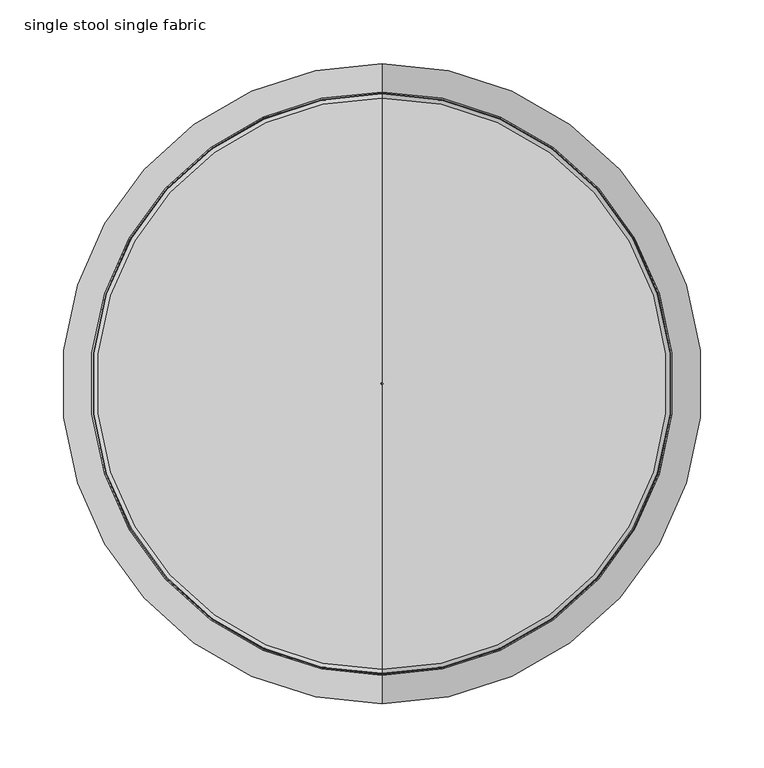
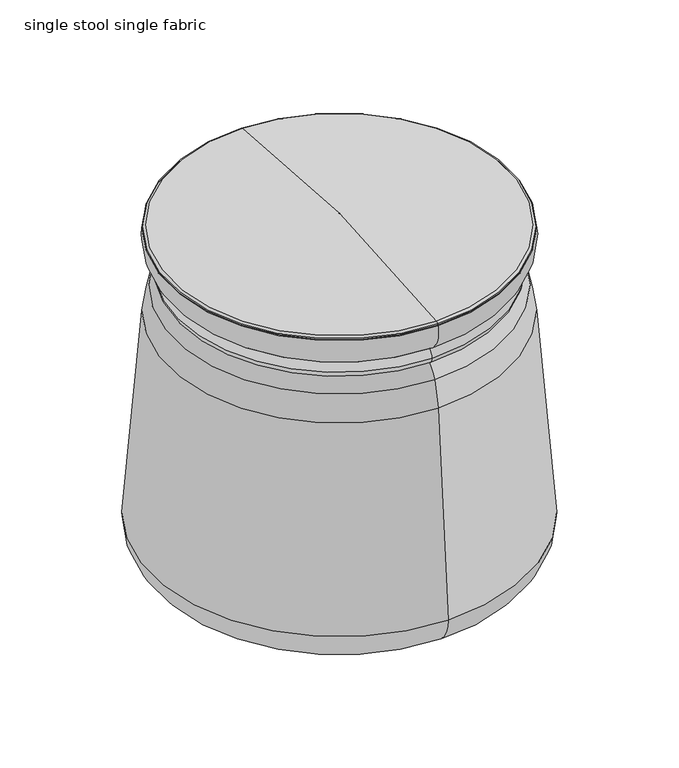
"""IFC4 building model written with IfcOpenShell, lengths in millimetres: furniture geometry, single stool single fabric."""

import ifcopenshell
import ifcopenshell.guid

model = None  # the IFC model being written
_history = None  # IfcOwnerHistory: only IFC2X3 demands one
_inside = {}  # id of a spatial element -> (the spatial element, [elements in it])
_under = {}  # id of a project, library or spatial element -> (it, [spatial elements below it])
_declared = {}  # id of a project -> (the project, [libraries it declares])
_typed = {}  # id of a type object -> (the type object, [elements of that type])
_made_of = {}  # id of a material, layer set ... -> (it, [elements and type objects made of it])


def new_model(schema):
    """Start an empty IFC model of exactly this schema.

    Asked for "IFC4X3", IfcOpenShell would pick the latest addendum, in which some entities
    have other attributes; the version numbers below select the first issue.
    IFC2X3 requires an IfcOwnerHistory on every rooted entity: one is made here for all.
    """
    global model, _history
    if schema == "IFC4X3":
        model = ifcopenshell.file(schema_version=(4, 3, 0, 0))
    else:
        model = ifcopenshell.file(schema=schema)
    _inside.clear()
    _under.clear()
    _declared.clear()
    _typed.clear()
    _made_of.clear()
    _history = None
    if model.schema == "IFC2X3":
        org = make("IfcOrganization", Name="unknown")
        user = make(
            "IfcPersonAndOrganization",
            ThePerson=make("IfcPerson", FamilyName="unknown"),
            TheOrganization=org,
        )
        app = make(
            "IfcApplication",
            ApplicationDeveloper=org,
            Version="unknown",
            ApplicationFullName="unknown",
            ApplicationIdentifier="unknown",
        )
        _history = make(
            "IfcOwnerHistory",
            OwningUser=user,
            OwningApplication=app,
            ChangeAction="ADDED",
            CreationDate=0,
        )
    return model


def make(cls, **values):
    """One entity of the class cls with the attributes given. An attribute that is None is left unset."""
    return model.create_entity(
        cls, **{name: value for name, value in values.items() if value is not None}
    )


def rooted(cls, **values):
    """An entity with a GlobalId (a new one), such as an element, a storey or a relation."""
    return make(cls, GlobalId=ifcopenshell.guid.new(), OwnerHistory=_history, **values)


def si_unit(unit_type, name, prefix=None):
    """IfcSIUnit, for example si_unit("LENGTHUNIT", "METRE", prefix="MILLI")."""
    return make("IfcSIUnit", UnitType=unit_type, Prefix=prefix, Name=name)


def assignment(units):
    """IfcUnitAssignment: the units of a project."""
    return None if units is None else make("IfcUnitAssignment", Units=units)


def point(xyz):
    """IfcCartesianPoint."""
    return None if xyz is None else make("IfcCartesianPoint", Coordinates=xyz)


def direction(xyz):
    """IfcDirection."""
    return None if xyz is None else make("IfcDirection", DirectionRatios=xyz)


def frame(location, z_axis=None, x_axis=None):
    """IfcAxis2Placement3D, a coordinate frame: its origin and axes. An axis left out is left unset."""
    return make(
        "IfcAxis2Placement3D",
        Location=point(location),
        Axis=direction(z_axis),
        RefDirection=direction(x_axis),
    )


def frame_2d(location, x_axis=None):
    """IfcAxis2Placement2D, a coordinate frame in the plane: its origin and x axis."""
    return make(
        "IfcAxis2Placement2D", Location=point(location), RefDirection=direction(x_axis)
    )


def origin():
    """The frame at (0, 0, 0) with its axes left unset."""
    return frame((0.0, 0.0, 0.0))


def origin_with_axes():
    """The frame at (0, 0, 0) with the z axis (0, 0, 1) and the x axis (1, 0, 0) written out."""
    return frame((0.0, 0.0, 0.0), z_axis=(0.0, 0.0, 1.0), x_axis=(1.0, 0.0, 0.0))


def place(relative_to, where):
    """IfcLocalPlacement: puts the frame where relative to a parent placement (None: the world)."""
    return make(
        "IfcLocalPlacement", PlacementRelTo=relative_to, RelativePlacement=where
    )


def context(
    kind, dimensions, precision=None, world=None, true_north=None, identifier=None
):
    """IfcGeometricRepresentationContext, for example the 3D "Model" context."""
    return make(
        "IfcGeometricRepresentationContext",
        ContextIdentifier=identifier,
        ContextType=kind,
        CoordinateSpaceDimension=dimensions,
        Precision=precision,
        WorldCoordinateSystem=world,
        TrueNorth=true_north,
    )


def project(units=None, contexts=None):
    """IfcProject with its units and contexts."""
    return rooted(
        "IfcProject",
        Name="project",
        RepresentationContexts=contexts,
        UnitsInContext=assignment(units),
    )


def spatial(cls, under=None, at=None, **own):
    """A site, building, storey or space (cls), placed at a placement, below another one or the project."""
    s = rooted(cls, ObjectPlacement=at, **own)
    if under is not None:
        _under.setdefault(under.id(), (under, []))[1].append(s)
    return s


def circle_curve(where, radius):
    """IfcCircle in the frame where."""
    return make("IfcCircle", Position=where, Radius=radius)


def ellipse_curve(where, semi_axis1, semi_axis2):
    """IfcEllipse in the frame where."""
    return make(
        "IfcEllipse", Position=where, SemiAxis1=semi_axis1, SemiAxis2=semi_axis2
    )


def trimmed(basis, trim1, trim2, sense, master):
    """IfcTrimmedCurve: the piece of a basis curve between two trims."""
    return make(
        "IfcTrimmedCurve",
        BasisCurve=basis,
        Trim1=trim1,
        Trim2=trim2,
        SenseAgreement=sense,
        MasterRepresentation=master,
    )


def segment(curve, same_sense, transition):
    """IfcCompositeCurveSegment."""
    return make(
        "IfcCompositeCurveSegment",
        Transition=transition,
        SameSense=same_sense,
        ParentCurve=curve,
    )


def composite_curve(segments, self_intersect=None):
    """IfcCompositeCurve: segments joined end to end."""
    return make("IfcCompositeCurve", Segments=segments, SelfIntersect=self_intersect)


def outline(outer, holes=None, kind="AREA"):
    """IfcArbitraryClosedProfileDef: a profile drawn as a closed curve; with holes, ...WithVoids."""
    if holes is None:
        return make("IfcArbitraryClosedProfileDef", ProfileType=kind, OuterCurve=outer)
    return make(
        "IfcArbitraryProfileDefWithVoids",
        ProfileType=kind,
        OuterCurve=outer,
        InnerCurves=holes,
    )


def extrude(swept, where, along, depth):
    """IfcExtrudedAreaSolid: the profile swept, set in the frame where, extruded along a direction by depth."""
    return make(
        "IfcExtrudedAreaSolid",
        SweptArea=swept,
        Position=where,
        ExtrudedDirection=direction(along),
        Depth=depth,
    )


def shape(context_of_items, identifier, shape_type, items):
    """IfcShapeRepresentation: the items that make up one representation, for example the "Body"."""
    return make(
        "IfcShapeRepresentation",
        ContextOfItems=context_of_items,
        RepresentationIdentifier=identifier,
        RepresentationType=shape_type,
        Items=items,
    )


def source(mapping_origin, context_of_items, identifier, shape_type, items):
    """IfcRepresentationMap: a shape defined once, which mapped items show again and again."""
    return make(
        "IfcRepresentationMap",
        MappingOrigin=mapping_origin,
        MappedRepresentation=shape(context_of_items, identifier, shape_type, items),
    )


def transform(
    local_origin,
    x_axis=None,
    y_axis=None,
    z_axis=None,
    scale=None,
    scale2=None,
    scale3=None,
    uniform=True,
):
    """IfcCartesianTransformationOperator3D, or its non-uniform kind. x_axis, y_axis, z_axis: its Axis1, 2, 3."""
    if uniform:
        return make(
            "IfcCartesianTransformationOperator3D",
            Axis1=direction(x_axis),
            Axis2=direction(y_axis),
            LocalOrigin=point(local_origin),
            Scale=scale,
            Axis3=direction(z_axis),
        )
    return make(
        "IfcCartesianTransformationOperator3DnonUniform",
        Axis1=direction(x_axis),
        Axis2=direction(y_axis),
        LocalOrigin=point(local_origin),
        Scale=scale,
        Axis3=direction(z_axis),
        Scale2=scale2,
        Scale3=scale3,
    )


def mapped(mapping_source, mapping_target):
    """IfcMappedItem: shows the shape of a source again, moved by a transform."""
    return make(
        "IfcMappedItem", MappingSource=mapping_source, MappingTarget=mapping_target
    )


def made_of(thing, what):
    """Note that an element or type object is made of a material, layer set ...; save() writes the relation."""
    if what is not None:
        _made_of.setdefault(what.id(), (what, []))[1].append(thing)
    return thing


def element(
    cls,
    number,
    at=None,
    inside=None,
    cuts=None,
    type_object=None,
    material=None,
    context=None,
    identifier="Body",
    shape_type=None,
    held_by="IfcProductDefinitionShape",
    body=None,
    shapes=None,
    **own,
):
    """One element of the class cls, such as IfcWall. Its Tag is "e" and its number.

    at: its placement. inside: the storey or other place that contains it. cuts: it is an
    opening in that element (IfcRelVoidsElement). A single representation is given by context,
    identifier, shape_type and body (its items); several are given by shapes. held_by: the class
    of the entity that holds the representations. save() writes the other relations.
    """
    e = rooted(cls, Tag="e%d" % number, ObjectPlacement=at, **own)
    if body is not None:
        shapes = [shape(context, identifier, shape_type, body)]
    if shapes is not None:
        e.Representation = make(held_by, Representations=shapes)
    if inside is not None:
        _inside.setdefault(inside.id(), (inside, []))[1].append(e)
    if cuts is not None:
        rooted(
            "IfcRelVoidsElement", RelatingBuildingElement=cuts, RelatedOpeningElement=e
        )
    if type_object is not None:
        _typed.setdefault(type_object.id(), (type_object, []))[1].append(e)
    return made_of(e, material)


def aggregate(whole, parts):
    """IfcRelAggregates: a whole, such as a stair, and the parts it consists of."""
    return rooted("IfcRelAggregates", RelatingObject=whole, RelatedObjects=parts)


def save(model, path):
    """Write the relations noted so far, then the file.

    IfcRelAggregates (storeys below a building ...), IfcRelContainedInSpatialStructure (elements
    in a storey), IfcRelDefinesByType, IfcRelAssociatesMaterial and IfcRelDeclares: one each for
    every whole, place, type object, material and project.
    """
    for whole, parts in _under.values():
        aggregate(whole, parts)
    for where, things in _inside.values():
        rooted(
            "IfcRelContainedInSpatialStructure",
            RelatedElements=things,
            RelatingStructure=where,
        )
    for kind, things in _typed.values():
        rooted("IfcRelDefinesByType", RelatedObjects=things, RelatingType=kind)
    for what, things in _made_of.values():
        rooted("IfcRelAssociatesMaterial", RelatedObjects=things, RelatingMaterial=what)
    for by, libraries in _declared.values():
        rooted("IfcRelDeclares", RelatingContext=by, RelatedDefinitions=libraries)
    model.write(path)


def plane_surface(at):
    """IfcPlane: the flat surface through the origin of the frame at, square to its z axis."""
    return make("IfcPlane", Position=at)


def cylinder_surface(at, radius):
    """IfcCylindricalSurface: all points at the distance radius from the z axis of the frame at."""
    return make("IfcCylindricalSurface", Position=at, Radius=radius)


def revolved_surface(curve, axis_point, axis_direction):
    """IfcSurfaceOfRevolution: the curve turned about the line through axis_point along axis_direction."""
    return make(
        "IfcSurfaceOfRevolution",
        SweptCurve=make("IfcArbitraryOpenProfileDef", ProfileType="CURVE", Curve=curve),
        AxisPosition=make("IfcAxis1Placement", Location=point(axis_point), Axis=direction(axis_direction)),
    )


def advanced_brep(points, edges, surfaces, faces):
    """IfcAdvancedBrep: a solid bounded by faces that lie on surfaces and meet in shared edges.

    An edge is (start, end): straight between two places in points (the first is 0);
    or (start, end, curve); or (start, end, curve, False) where it runs against its curve.
    A face is (place in surfaces, loops), or (place, loops, False) where it looks against
    its surface's normal. A loop lists edges by number (the first is 1), with a minus sign
    where the edge is run from its end to its start. The first loop is the outer one.
    """
    corners = [point(p) for p in points]
    vertices = [make("IfcVertexPoint", VertexGeometry=c) for c in corners]
    made = []
    for start, end, *more in edges:
        made.append(
            make(
                "IfcEdgeCurve",
                EdgeStart=vertices[start],
                EdgeEnd=vertices[end],
                EdgeGeometry=more[0] if more else make("IfcPolyline", Points=[corners[start], corners[end]]),
                SameSense=more[1] if len(more) > 1 else True,
            )
        )
    hull = []
    for where, loops, *sense in faces:
        bounds = []
        for j, loop in enumerate(loops):
            ring = [make("IfcOrientedEdge", EdgeElement=made[abs(k) - 1], Orientation=k > 0) for k in loop]
            bounds.append(
                make(
                    "IfcFaceOuterBound" if j == 0 else "IfcFaceBound",
                    Bound=make("IfcEdgeLoop", EdgeList=ring),
                    Orientation=True,
                )
            )
        hull.append(make("IfcAdvancedFace", Bounds=bounds, FaceSurface=surfaces[where], SameSense=sense[0] if sense else True))
    return make("IfcAdvancedBrep", Outer=make("IfcClosedShell", CfsFaces=hull))


def single_stool_single_fabric_4eaed407(model_context):
    return source(origin(), model_context, "Body", "SolidModel", [
        advanced_brep(
        [(0.0, -215.1499465, 408.4069519), (0.0, 215.1499465, 408.4069519), (0.0, 193.1499465, 408.4069519), (0.0, -193.1499465, 408.4069519)],
        [
            (0, 1, circle_curve(frame((0.0, 0.0, 408.4069519), z_axis=(0.0, 0.0, 1.0), x_axis=(0.0, 1.0, 0.0)), 215.1499465)),
            (1, 2, circle_curve(frame((0.0, 204.1499465, 408.4069519), z_axis=(1.0, 0.0, 0.0), x_axis=(0.0, 1.0, 0.0)), 11.0)),
            (2, 3, circle_curve(frame((0.0, 0.0, 408.4069519), z_axis=(0.0, 0.0, -1.0), x_axis=(0.0, 1.0, 0.0)), 193.1499465)),
            (3, 0, circle_curve(frame((0.0, -204.1499465, 408.4069519), z_axis=(1.0, 0.0, 0.0), x_axis=(0.0, -1.0, 0.0)), 11.0)),
            (2, 1, circle_curve(frame((0.0, 204.1499465, 408.4069519), z_axis=(1.0, 0.0, 0.0), x_axis=(0.0, 1.0, 0.0)), 11.0)),
            (0, 3, circle_curve(frame((0.0, -204.1499465, 408.4069519), z_axis=(1.0, 0.0, 0.0), x_axis=(0.0, -1.0, 0.0)), 11.0)),
            (1, 0, circle_curve(frame((0.0, 0.0, 408.4069519), z_axis=(0.0, 0.0, 1.0), x_axis=(0.0, -1.0, 0.0)), 215.1499465)),
            (3, 2, circle_curve(frame((0.0, 0.0, 408.4069519), z_axis=(0.0, 0.0, -1.0), x_axis=(0.0, -1.0, 0.0)), 193.1499465)),
        ],
        [
            revolved_surface(trimmed(ellipse_curve(frame((0.0, 204.1499465, 408.4069519), z_axis=(-1.0, 0.0, 0.0), x_axis=(0.0, 1.0, 0.0)), 11.0, 11.0), [point((0.0, 193.1499465, 408.4069519))], [point((0.0, 215.1499465, 408.4069519))], True, "CARTESIAN"), (0.0, 0.0, 408.4069519), (0.0, 0.0, -1.0)),
            revolved_surface(trimmed(ellipse_curve(frame((0.0, 204.1499465, 408.4069519), z_axis=(-1.0, 0.0, 0.0), x_axis=(0.0, 1.0, 0.0)), 11.0, 11.0), [point((0.0, 215.1499465, 408.4069519))], [point((0.0, 193.1499465, 408.4069519))], True, "CARTESIAN"), (0.0, 0.0, 408.4069519), (0.0, 0.0, -1.0)),
            revolved_surface(trimmed(ellipse_curve(frame((0.0, -204.1499465, 408.4069519), z_axis=(1.0, 0.0, 0.0), x_axis=(0.0, -1.0, 0.0)), 11.0, 11.0), [point((0.0, -193.1499465, 408.4069519))], [point((0.0, -215.1499465, 408.4069519))], True, "CARTESIAN"), (0.0, 0.0, 408.4069519), (0.0, 0.0, -1.0)),
            revolved_surface(trimmed(ellipse_curve(frame((0.0, -204.1499465, 408.4069519), z_axis=(1.0, 0.0, 0.0), x_axis=(0.0, -1.0, 0.0)), 11.0, 11.0), [point((0.0, -215.1499465, 408.4069519))], [point((0.0, -193.1499465, 408.4069519))], True, "CARTESIAN"), (0.0, 0.0, 408.4069519), (0.0, 0.0, -1.0)),
        ],
        [
            (0, [[1, 2, 3, 4]]),
            (1, [[-3, 5, -1, 6]]),
            (2, [[7, -4, 8, -2]]),
            (3, [[-8, -6, -7, -5]]),
        ],
    ),
        extrude(outline(composite_curve([segment(trimmed(circle_curve(frame_2d((-69.1673536, 130.0426161)), 17.5), [point((-86.6644585, 129.724304))], [point((-51.6702488, 130.3609282))], False, "CARTESIAN"), True, "CONTINUOUS"), segment(trimmed(circle_curve(frame_2d((-69.1673536, 130.0426161)), 17.5), [point((-51.6702488, 130.3609282))], [point((-86.6644585, 129.724304))], False, "CARTESIAN"), True, "CONTINUOUS")], self_intersect=False)), origin_with_axes(), (0.0, 0.0, 1.0), 9.318512),
        extrude(outline(composite_curve([segment(trimmed(circle_curve(frame_2d((147.2926986, 0.2564078)), 17.5), [point((155.2552796, -15.3271509))], [point((139.3301176, 15.8399666))], False, "CARTESIAN"), True, "CONTINUOUS"), segment(trimmed(circle_curve(frame_2d((147.2926986, 0.2564078)), 17.5), [point((139.3301176, 15.8399666))], [point((155.2552796, -15.3271509))], False, "CARTESIAN"), True, "CONTINUOUS")], self_intersect=False)), origin_with_axes(), (0.0, 0.0, 1.0), 9.318512),
        extrude(outline(composite_curve([segment(trimmed(circle_curve(frame_2d((69.1673536, 130.0426161)), 17.5), [point((86.6644585, 129.724304))], [point((51.6702488, 130.3609282))], False, "CARTESIAN"), True, "CONTINUOUS"), segment(trimmed(circle_curve(frame_2d((69.1673536, 130.0426161)), 17.5), [point((51.6702488, 130.3609282))], [point((86.6644585, 129.724304))], False, "CARTESIAN"), True, "CONTINUOUS")], self_intersect=False)), origin_with_axes(), (0.0, 0.0, 1.0), 9.318512),
        extrude(outline(composite_curve([segment(trimmed(circle_curve(frame_2d((-147.2926986, 0.2564078)), 17.5), [point((-155.2552796, -15.3271509))], [point((-139.3301176, 15.8399666))], False, "CARTESIAN"), True, "CONTINUOUS"), segment(trimmed(circle_curve(frame_2d((-147.2926986, 0.2564078)), 17.5), [point((-139.3301176, 15.8399666))], [point((-155.2552796, -15.3271509))], False, "CARTESIAN"), True, "CONTINUOUS")], self_intersect=False)), origin_with_axes(), (0.0, 0.0, 1.0), 9.318512),
        extrude(outline(composite_curve([segment(trimmed(circle_curve(frame_2d((69.1673536, -130.0426161)), 17.5), [point((86.6644585, -129.724304))], [point((51.6702488, -130.3609282))], False, "CARTESIAN"), True, "CONTINUOUS"), segment(trimmed(circle_curve(frame_2d((69.1673536, -130.0426161)), 17.5), [point((51.6702488, -130.3609282))], [point((86.6644585, -129.724304))], False, "CARTESIAN"), True, "CONTINUOUS")], self_intersect=False)), origin_with_axes(), (0.0, 0.0, 1.0), 9.318512),
        extrude(outline(composite_curve([segment(trimmed(circle_curve(frame_2d((-69.1673536, -130.0426161)), 17.5), [point((-86.6644585, -129.724304))], [point((-51.6702488, -130.3609282))], False, "CARTESIAN"), True, "CONTINUOUS"), segment(trimmed(circle_curve(frame_2d((-69.1673536, -130.0426161)), 17.5), [point((-51.6702488, -130.3609282))], [point((-86.6644585, -129.724304))], False, "CARTESIAN"), True, "CONTINUOUS")], self_intersect=False)), origin_with_axes(), (0.0, 0.0, 1.0), 9.318512),
        advanced_brep(
        [(0.0, -196.1897301, 9.318512), (0.0, 196.1897301, 9.318512), (0.0, 0.0, 9.318512), (0.0, -196.1897301, 11.488237), (0.0, 196.1897301, 11.488237), (0.0, -227.8160728, 17.9934692), (0.0, 227.8160728, 17.9934692), (0.0, -251.7559837, 60.1893005), (0.0, 251.7559837, 60.1893005), (0.0, -228.5330833, 345.4851379), (0.0, 228.5330833, 345.4851379), (0.0, -220.7427311, 381.3732143), (0.0, 220.7427311, 381.3732143), (0.0, -208.1638512, 398.4069519), (0.0, 208.1638512, 398.4069519), (0.0, -228.5288719, 461.8478088), (0.0, 228.5288719, 461.8478088), (0.0, 210.3326969, 419.0421407), (0.0, -210.3326969, 419.0421407), (0.0, -227.3352244, 462.3835816), (0.0, 227.3352244, 462.3835816), (0.0, -227.8916403, 464.2905243), (0.0, 227.8916403, 464.2905243), (0.0, -224.6214208, 466.3577071), (0.0, 224.6214208, 466.3577071), (0.0, -1.1806816, 482.4126587), (0.0, 1.1806816, 482.4126587), (0.0, 0.0, 481.2319771)],
        [
            (0, 1, circle_curve(frame((0.0, 0.0, 9.318512), z_axis=(0.0, 0.0, -1.0), x_axis=(0.0, 1.0, 0.0)), 196.1897301)),
            (1, 2),
            (2, 0),
            (1, 0, circle_curve(frame((0.0, 0.0, 9.318512), z_axis=(0.0, 0.0, -1.0), x_axis=(0.0, 1.0, 0.0)), 196.1897301)),
            (3, 4, circle_curve(frame((0.0, 0.0, 11.488237), z_axis=(0.0, 0.0, -1.0), x_axis=(0.0, 1.0, 0.0)), 196.1897301)),
            (4, 1),
            (0, 3),
            (4, 3, circle_curve(frame((0.0, 0.0, 11.488237), z_axis=(0.0, 0.0, -1.0), x_axis=(0.0, 1.0, 0.0)), 196.1897301)),
            (5, 6, circle_curve(frame((0.0, 0.0, 17.9934692), z_axis=(0.0, 0.0, -1.0), x_axis=(0.0, 1.0, 0.0)), 227.8160728)),
            (6, 4, circle_curve(frame((0.0, 199.5552766, 75.257194), z_axis=(-1.0, 0.0, 0.0), x_axis=(0.0, -1.0, 0.0)), 63.8577073)),
            (3, 5, circle_curve(frame((0.0, -199.5552766, 75.257194), z_axis=(-1.0, 0.0, 0.0), x_axis=(0.0, 1.0, 0.0)), 63.8577073)),
            (6, 5, circle_curve(frame((0.0, 0.0, 17.9934692), z_axis=(0.0, 0.0, -1.0), x_axis=(0.0, 1.0, 0.0)), 227.8160728)),
            (7, 8, circle_curve(frame((0.0, 0.0, 60.1893005), z_axis=(0.0, 0.0, -1.0), x_axis=(0.0, 1.0, 0.0)), 251.7559837)),
            (8, 6, circle_curve(frame((0.0, 201.8642884, 60.6063793), z_axis=(-1.0, 0.0, 0.0), x_axis=(0.0, -1.0, 0.0)), 49.8934386)),
            (5, 7, circle_curve(frame((0.0, -201.8642884, 60.6063793), z_axis=(-1.0, 0.0, 0.0), x_axis=(0.0, 1.0, 0.0)), 49.8934386)),
            (8, 7, circle_curve(frame((0.0, 0.0, 60.1893005), z_axis=(0.0, 0.0, -1.0), x_axis=(0.0, 1.0, 0.0)), 251.7559837)),
            (9, 10, circle_curve(frame((0.0, 0.0, 345.4851379), z_axis=(0.0, 0.0, -1.0), x_axis=(0.0, 1.0, 0.0)), 228.5330833)),
            (10, 8, circle_curve(frame((0.0, -1348.0056648, 73.5627994), z_axis=(-1.0, 0.0, 0.0), x_axis=(0.0, -1.0, 0.0)), 1599.8175467)),
            (7, 9, circle_curve(frame((0.0, 1348.0056648, 73.5627994), z_axis=(-1.0, 0.0, 0.0), x_axis=(0.0, 1.0, 0.0)), 1599.8175467)),
            (10, 9, circle_curve(frame((0.0, 0.0, 345.4851379), z_axis=(0.0, 0.0, -1.0), x_axis=(0.0, 1.0, 0.0)), 228.5330833)),
            (11, 12, circle_curve(frame((0.0, 0.0, 381.3732143), z_axis=(0.0, 0.0, -1.0), x_axis=(0.0, 1.0, 0.0)), 220.7427311)),
            (12, 10, circle_curve(frame((0.0, 8.3545734, 316.4797845), z_axis=(-1.0, 0.0, 0.0), x_axis=(0.0, -1.0, 0.0)), 222.0808113)),
            (9, 11, circle_curve(frame((0.0, -8.3545734, 316.4797845), z_axis=(-1.0, 0.0, 0.0), x_axis=(0.0, 1.0, 0.0)), 222.0808113)),
            (12, 11, circle_curve(frame((0.0, 0.0, 381.3732143), z_axis=(0.0, 0.0, -1.0), x_axis=(0.0, 1.0, 0.0)), 220.7427311)),
            (13, 14, circle_curve(frame((0.0, 0.0, 398.4069519), z_axis=(0.0, 0.0, -1.0), x_axis=(0.0, 1.0, 0.0)), 208.1638512)),
            (14, 12, circle_curve(frame((0.0, 183.8890207, 367.3193298), z_axis=(-1.0, 0.0, 0.0), x_axis=(0.0, -1.0, 0.0)), 39.4424599)),
            (11, 13, circle_curve(frame((0.0, -183.8890207, 367.3193298), z_axis=(-1.0, 0.0, 0.0), x_axis=(0.0, 1.0, 0.0)), 39.4424599)),
            (14, 13, circle_curve(frame((0.0, 0.0, 398.4069519), z_axis=(0.0, 0.0, -1.0), x_axis=(0.0, 1.0, 0.0)), 208.1638512)),
            (15, 16, circle_curve(frame((0.0, 0.0, 461.8478088), z_axis=(0.0, 0.0, -1.0), x_axis=(0.0, 1.0, 0.0)), 228.5288719)),
            (16, 17, circle_curve(frame((0.0, 188.8777699, 453.432694), z_axis=(-1.0, 0.0, 0.0), x_axis=(0.0, -1.0, 0.0)), 40.5342331)),
            (17, 18, circle_curve(frame((0.0, 0.0, 419.0421407), z_axis=(0.0, 0.0, 1.0), x_axis=(0.0, 1.0, 0.0)), 210.3326969)),
            (18, 15, circle_curve(frame((0.0, -188.8777699, 453.432694), z_axis=(-1.0, 0.0, 0.0), x_axis=(0.0, 1.0, 0.0)), 40.5342331)),
            (16, 15, circle_curve(frame((0.0, 0.0, 461.8478088), z_axis=(0.0, 0.0, -1.0), x_axis=(0.0, 1.0, 0.0)), 228.5288719)),
            (18, 17, circle_curve(frame((0.0, 0.0, 419.0421407), z_axis=(0.0, 0.0, 1.0), x_axis=(0.0, 1.0, 0.0)), 210.3326969)),
            (19, 20, circle_curve(frame((0.0, 0.0, 462.3835816), z_axis=(0.0, 0.0, -1.0), x_axis=(0.0, 1.0, 0.0)), 227.3352244)),
            (20, 16, circle_curve(frame((0.0, 227.549844, 461.2641832), z_axis=(-1.0, 0.0, 0.0), x_axis=(0.0, -1.0, 0.0)), 1.139787)),
            (15, 19, circle_curve(frame((0.0, -227.549844, 461.2641832), z_axis=(-1.0, 0.0, 0.0), x_axis=(0.0, 1.0, 0.0)), 1.139787)),
            (20, 19, circle_curve(frame((0.0, 0.0, 462.3835816), z_axis=(0.0, 0.0, -1.0), x_axis=(0.0, 1.0, 0.0)), 227.3352244)),
            (21, 22, circle_curve(frame((0.0, 0.0, 464.2905243), z_axis=(0.0, 0.0, -1.0), x_axis=(0.0, 1.0, 0.0)), 227.8916403)),
            (22, 20, circle_curve(frame((0.0, 226.9765928, 463.5228727), z_axis=(-1.0, 0.0, 0.0), x_axis=(0.0, -1.0, 0.0)), 1.194404)),
            (19, 21, circle_curve(frame((0.0, -226.9765928, 463.5228727), z_axis=(-1.0, 0.0, 0.0), x_axis=(0.0, 1.0, 0.0)), 1.194404)),
            (22, 21, circle_curve(frame((0.0, 0.0, 464.2905243), z_axis=(0.0, 0.0, -1.0), x_axis=(0.0, 1.0, 0.0)), 227.8916403)),
            (23, 24, circle_curve(frame((0.0, 0.0, 466.3577071), z_axis=(0.0, 0.0, -1.0), x_axis=(0.0, 1.0, 0.0)), 224.6214208)),
            (24, 22, circle_curve(frame((0.0, 223.0194402, 460.2031386), z_axis=(-1.0, 0.0, 0.0), x_axis=(0.0, -1.0, 0.0)), 6.3596427)),
            (21, 23, circle_curve(frame((0.0, -223.0194402, 460.2031386), z_axis=(-1.0, 0.0, 0.0), x_axis=(0.0, 1.0, 0.0)), 6.3596427)),
            (24, 23, circle_curve(frame((0.0, 0.0, 466.3577071), z_axis=(0.0, 0.0, -1.0), x_axis=(0.0, 1.0, 0.0)), 224.6214208)),
            (25, 26, circle_curve(frame((0.0, 0.0, 482.4126587), z_axis=(0.0, 0.0, -1.0), x_axis=(0.0, 1.0, 0.0)), 1.1806816)),
            (26, 24, circle_curve(frame((0.0, -18.1012239, -1348.8059419), z_axis=(-1.0, 0.0, 0.0), x_axis=(0.0, -1.0, 0.0)), 1831.3201126)),
            (23, 25, circle_curve(frame((0.0, 18.1012239, -1348.8059419), z_axis=(-1.0, 0.0, 0.0), x_axis=(0.0, 1.0, 0.0)), 1831.3201126)),
            (26, 25, circle_curve(frame((0.0, 0.0, 482.4126587), z_axis=(0.0, 0.0, -1.0), x_axis=(0.0, 1.0, 0.0)), 1.1806816)),
            (27, 26, circle_curve(frame((0.0, 1.1806816, 481.2319771), z_axis=(-1.0, 0.0, 0.0), x_axis=(0.0, -1.0, 0.0)), 1.1806816)),
            (25, 27, circle_curve(frame((0.0, -1.1806816, 481.2319771), z_axis=(-1.0, 0.0, 0.0), x_axis=(0.0, 1.0, 0.0)), 1.1806816)),
            (17, 14, circle_curve(frame((0.0, 217.2972148, 407.8785685), z_axis=(1.0, 0.0, 0.0), x_axis=(0.0, -1.0, 0.0)), 13.1578818)),
            (13, 18, circle_curve(frame((0.0, -217.2972148, 407.8785685), z_axis=(1.0, 0.0, 0.0), x_axis=(0.0, 1.0, 0.0)), 13.1578818)),
        ],
        [
            plane_surface(frame((0.0, 0.0, 9.318512), z_axis=(0.0, 0.0, -1.0), x_axis=(0.0, 1.0, 0.0))),
            cylinder_surface(frame((0.0, 0.0, 485.9267943), z_axis=(0.0, 0.0, 1.0), x_axis=(0.0, 1.0, 0.0)), 196.1897301),
            revolved_surface(trimmed(ellipse_curve(frame((0.0, 199.5552766, 75.257194), z_axis=(1.0, 0.0, 0.0), x_axis=(0.0, -1.0, 0.0)), 63.8577073, 63.8577073), [point((0.0, 196.1897301, 11.488237))], [point((0.0, 227.8160728, 17.9934692))], True, "CARTESIAN"), (0.0, 0.0, 485.9267943), (0.0, 0.0, 1.0)),
            revolved_surface(trimmed(ellipse_curve(frame((0.0, 201.8642884, 60.6063793), z_axis=(1.0, 0.0, 0.0), x_axis=(0.0, -1.0, 0.0)), 49.8934386, 49.8934386), [point((0.0, 227.8160728, 17.9934692))], [point((0.0, 251.7559837, 60.1893005))], True, "CARTESIAN"), (0.0, 0.0, 485.9267943), (0.0, 0.0, 1.0)),
            revolved_surface(trimmed(ellipse_curve(frame((0.0, -1348.0056648, 73.5627994), z_axis=(1.0, 0.0, 0.0), x_axis=(0.0, -1.0, 0.0)), 1599.8175467, 1599.8175467), [point((0.0, 251.7559837, 60.1893005))], [point((0.0, 228.5330833, 345.4851379))], True, "CARTESIAN"), (0.0, 0.0, 485.9267943), (0.0, 0.0, 1.0)),
            revolved_surface(trimmed(ellipse_curve(frame((0.0, 8.3545734, 316.4797845), z_axis=(1.0, 0.0, 0.0), x_axis=(0.0, -1.0, 0.0)), 222.0808113, 222.0808113), [point((0.0, 228.5330833, 345.4851379))], [point((0.0, 220.7427311, 381.3732143))], True, "CARTESIAN"), (0.0, 0.0, 485.9267943), (0.0, 0.0, 1.0)),
            revolved_surface(trimmed(ellipse_curve(frame((0.0, 183.8890207, 367.3193298), z_axis=(1.0, 0.0, 0.0), x_axis=(0.0, -1.0, 0.0)), 39.4424599, 39.4424599), [point((0.0, 220.7427311, 381.3732143))], [point((0.0, 208.1638512, 398.4069519))], True, "CARTESIAN"), (0.0, 0.0, 485.9267943), (0.0, 0.0, 1.0)),
            revolved_surface(trimmed(ellipse_curve(frame((0.0, 188.8777699, 453.432694), z_axis=(1.0, 0.0, 0.0), x_axis=(0.0, -1.0, 0.0)), 40.5342331, 40.5342331), [point((0.0, 210.3326969, 419.0421407))], [point((0.0, 228.5288719, 461.8478088))], True, "CARTESIAN"), (0.0, 0.0, 485.9267943), (0.0, 0.0, 1.0)),
            revolved_surface(trimmed(ellipse_curve(frame((0.0, 227.549844, 461.2641832), z_axis=(1.0, 0.0, 0.0), x_axis=(0.0, -1.0, 0.0)), 1.139787, 1.139787), [point((0.0, 228.5288719, 461.8478088))], [point((0.0, 227.3352244, 462.3835816))], True, "CARTESIAN"), (0.0, 0.0, 485.9267943), (0.0, 0.0, 1.0)),
            revolved_surface(trimmed(ellipse_curve(frame((0.0, 226.9765928, 463.5228727), z_axis=(1.0, 0.0, 0.0), x_axis=(0.0, -1.0, 0.0)), 1.194404, 1.194404), [point((0.0, 227.3352244, 462.3835816))], [point((0.0, 227.8916403, 464.2905243))], True, "CARTESIAN"), (0.0, 0.0, 485.9267943), (0.0, 0.0, 1.0)),
            revolved_surface(trimmed(ellipse_curve(frame((0.0, 223.0194402, 460.2031386), z_axis=(1.0, 0.0, 0.0), x_axis=(0.0, -1.0, 0.0)), 6.3596427, 6.3596427), [point((0.0, 227.8916403, 464.2905243))], [point((0.0, 224.6214208, 466.3577071))], True, "CARTESIAN"), (0.0, 0.0, 485.9267943), (0.0, 0.0, 1.0)),
            revolved_surface(trimmed(ellipse_curve(frame((0.0, -18.1012239, -1348.8059419), z_axis=(1.0, 0.0, 0.0), x_axis=(0.0, -1.0, 0.0)), 1831.3201126, 1831.3201126), [point((0.0, 224.6214208, 466.3577071))], [point((0.0, 1.1806816, 482.4126587))], True, "CARTESIAN"), (0.0, 0.0, 485.9267943), (0.0, 0.0, 1.0)),
            revolved_surface(trimmed(ellipse_curve(frame((0.0, 1.1806816, 481.2319771), z_axis=(1.0, 0.0, 0.0), x_axis=(0.0, -1.0, 0.0)), 1.1806816, 1.1806816), [point((0.0, 1.193121, 482.4125932))], [point((0.0, 0.0, 481.2319771))], True, "CARTESIAN"), (0.0, 0.0, 485.9267943), (0.0, 0.0, 1.0)),
            revolved_surface(trimmed(ellipse_curve(frame((0.0, 217.2972148, 407.8785685), z_axis=(-1.0, 0.0, 0.0), x_axis=(0.0, -1.0, 0.0)), 13.1578818, 13.1578818), [point((0.0, 208.1638512, 398.4069519))], [point((0.0, 210.3326969, 419.0421407))], True, "CARTESIAN"), (0.0, 0.0, 485.9267943), (0.0, 0.0, 1.0)),
        ],
        [
            (0, [[1, 2, 3]]),
            (0, [[4, -3, -2]]),
            (1, [[5, 6, -1, 7]]),
            (1, [[8, -7, -4, -6]]),
            (2, [[9, 10, -5, 11]]),
            (2, [[12, -11, -8, -10]]),
            (3, [[13, 14, -9, 15]]),
            (3, [[16, -15, -12, -14]]),
            (4, [[17, 18, -13, 19]]),
            (4, [[20, -19, -16, -18]]),
            (5, [[21, 22, -17, 23]]),
            (5, [[24, -23, -20, -22]]),
            (6, [[25, 26, -21, 27]]),
            (6, [[28, -27, -24, -26]]),
            (7, [[29, 30, 31, 32]]),
            (7, [[33, -32, 34, -30]]),
            (8, [[35, 36, -29, 37]]),
            (8, [[38, -37, -33, -36]]),
            (9, [[39, 40, -35, 41]]),
            (9, [[42, -41, -38, -40]]),
            (10, [[43, 44, -39, 45]]),
            (10, [[46, -45, -42, -44]]),
            (11, [[47, 48, -43, 49]]),
            (11, [[50, -49, -46, -48]]),
            (12, [[51, -47, 52]]),
            (12, [[-52, -50, -51]]),
            (13, [[-31, 53, -25, 54]]),
            (13, [[-34, -54, -28, -53]]),
        ],
    ),
    ])


if __name__ == "__main__":
    model = new_model("IFC4")
    model_context = context("Model", 3, world=origin())
    ifc_project = project(units=[si_unit("LENGTHUNIT", "METRE", prefix="MILLI")], contexts=[model_context])
    site = spatial("IfcSite", under=ifc_project)
    building = spatial("IfcBuilding", under=site)
    placement = place(None, origin())
    single_stool_single_fabric_shape = single_stool_single_fabric_4eaed407(model_context)
    element("IfcFurniture", 1, ObjectType="single stool single fabric", at=placement, inside=building, context=model_context, shape_type="MappedRepresentation", body=[
        mapped(single_stool_single_fabric_shape, transform((0.0, 0.0, 0.0), x_axis=(1.0, 0.0, 0.0), y_axis=(0.0, 1.0, 0.0), z_axis=(0.0, 0.0, 1.0))),
    ])
    save(model, "model.ifc")
